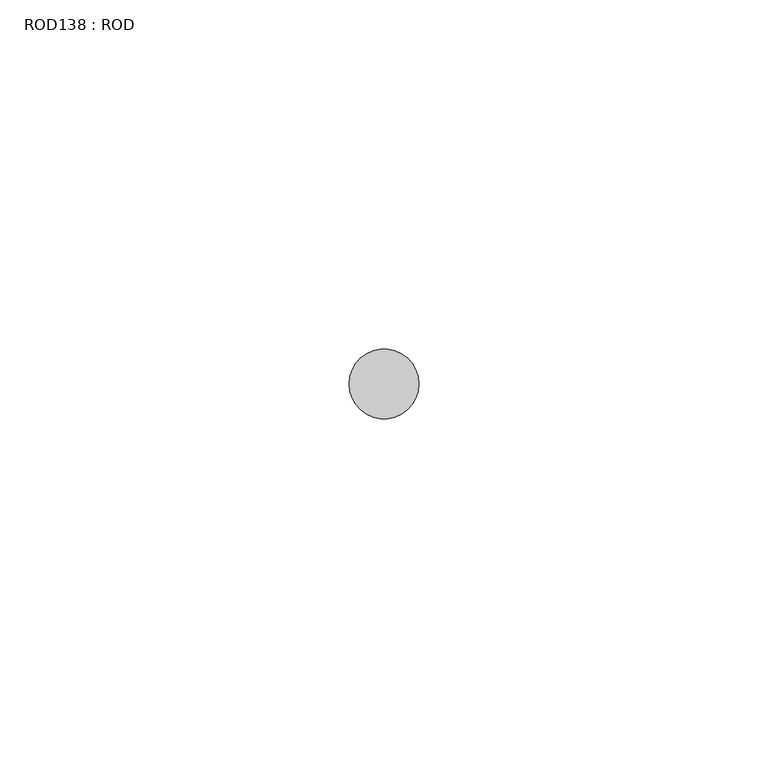
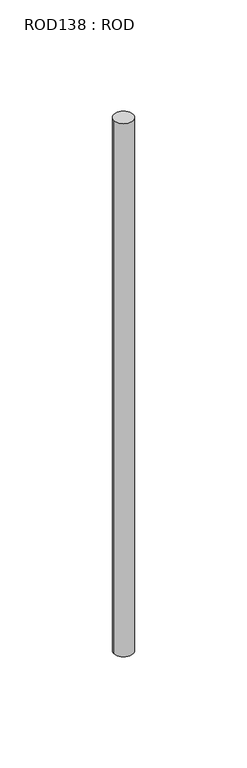
"""IFC4 building model written with IfcOpenShell, lengths in millimetres: proxy geometry, ROD138 : ROD."""

from ifc_helpers import new_model, si_unit, point, frame, frame_2d, origin, place, context, project, spatial, circle_curve, trimmed, segment, composite_curve, outline, extrude, source, transform, mapped, element, save


def rod138_rod_eec6455b(model_context):
    return source(origin(), model_context, "Body", "SweptSolid", [
        extrude(outline(composite_curve([segment(trimmed(circle_curve(frame_2d((6032.7784384, -12414.6300853)), 5.0), [point((6027.7784384, -12414.6300853))], [point((6037.7784384, -12414.6300853))], False, "CARTESIAN"), True, "CONTINUOUS"), segment(trimmed(circle_curve(frame_2d((6032.7784384, -12414.6300853)), 5.0), [point((6037.7784384, -12414.6300853))], [point((6027.7784384, -12414.6300853))], False, "CARTESIAN"), True, "CONTINUOUS")], self_intersect=False)), frame((0.0, 0.0, -208.6608845), z_axis=(0.0, 0.0, 1.0), x_axis=(1.0, 0.0, 0.0)), (0.0, 0.0, 1.0), 298.9028972),
    ])


if __name__ == "__main__":
    model = new_model("IFC4")
    model_context = context("Model", 3, world=origin())
    ifc_project = project(units=[si_unit("LENGTHUNIT", "METRE", prefix="MILLI")], contexts=[model_context])
    site = spatial("IfcSite", under=ifc_project)
    building = spatial("IfcBuilding", under=site)
    placement = place(None, origin())
    rod138_rod_shape = rod138_rod_eec6455b(model_context)
    element("IfcBuildingElementProxy", 1, Name="ROD138 : ROD", ObjectType="ROD138 : ROD", at=placement, inside=building, context=model_context, shape_type="MappedRepresentation", body=[
        mapped(rod138_rod_shape, transform((0.0, 0.0, 0.0), x_axis=(1.0, 0.0, 0.0), y_axis=(0.0, 1.0, 0.0), z_axis=(0.0, 0.0, 1.0))),
    ])
    save(model, "model.ifc")
